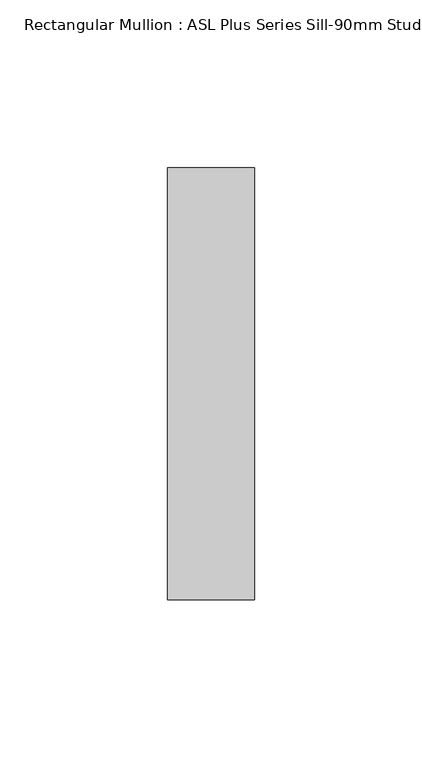
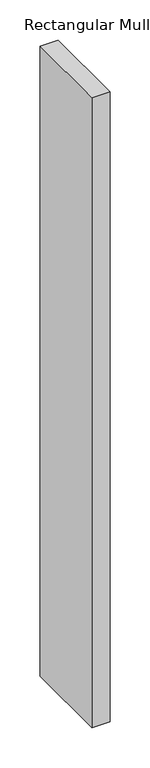
"""IFC4 building model written with IfcOpenShell, lengths in millimetres: member geometry, Rectangular Mullion : ASL Plus Series Sill-90mm Stud."""

from ifc_helpers import new_model, si_unit, frame, origin, place, context, project, spatial, polyline, outline, extrude, source, transform, mapped, element, save


def rectangular_mullion_asl_plus_series_sill_90mm_stud_39314e0f(model_context):
    return source(origin(), model_context, "Body", "SweptSolid", [
        extrude(outline(polyline([(-26.0, 64.5), (0.0, 64.5), (0.0, -64.5), (-26.0, -64.5), (-26.0, 64.5)])), frame((0.0, 0.0, -956.0), z_axis=(0.0, 0.0, 1.0), x_axis=(1.0, 0.0, 0.0)), (0.0, 0.0, 1.0), 956.0),
    ])


if __name__ == "__main__":
    model = new_model("IFC4")
    model_context = context("Model", 3, world=origin())
    ifc_project = project(units=[si_unit("LENGTHUNIT", "METRE", prefix="MILLI")], contexts=[model_context])
    site = spatial("IfcSite", under=ifc_project)
    building = spatial("IfcBuilding", under=site)
    placement = place(None, origin())
    rectangular_mullion_asl_plus_series_sill_90mm_stud_shape = rectangular_mullion_asl_plus_series_sill_90mm_stud_39314e0f(model_context)
    element("IfcMember", 1, ObjectType="Rectangular Mullion : ASL Plus Series Sill-90mm Stud", at=placement, inside=building, context=model_context, shape_type="MappedRepresentation", body=[
        mapped(rectangular_mullion_asl_plus_series_sill_90mm_stud_shape, transform((0.0, 0.0, 0.0), x_axis=(1.0, 0.0, 0.0), y_axis=(0.0, 1.0, 0.0), z_axis=(0.0, 0.0, 1.0))),
    ])
    save(model, "model.ifc")
